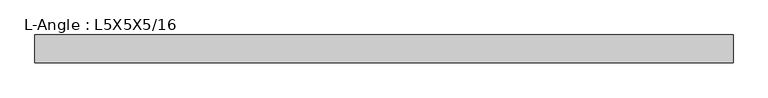
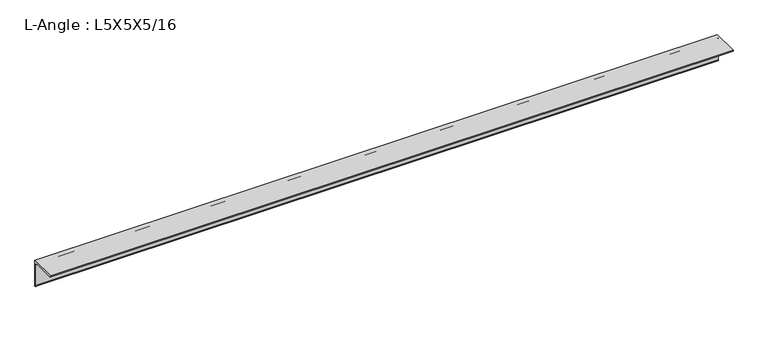
"""IFC4 building model written with IfcOpenShell, lengths in millimetres: beam geometry, L-Angle : L5X5X5/16."""

from ifc_helpers import new_model, si_unit, point, frame, frame_2d, origin, place, context, project, spatial, polyline, circle_curve, trimmed, segment, composite_curve, outline, extrude, source, transform, mapped, element, save


def l_angle_l5x5x5_16_a66de99f(model_context):
    return source(origin(), model_context, "Body", "SweptSolid", [
        extrude(outline(composite_curve([segment(polyline([(34.3296875, 34.3296875), (34.3296875, -92.6703125)]), True, "CONTINUOUS"), segment(trimmed(circle_curve(frame_2d((34.3296875, -84.7328125)), 7.9375), [point((34.3296875, -92.6703125))], [point((26.3921875, -84.7328125))], False, "CARTESIAN"), True, "CONTINUOUS"), segment(polyline([(26.3921875, -84.7328125), (26.3921875, 18.4546875)]), True, "CONTINUOUS"), segment(trimmed(circle_curve(frame_2d((18.4546875, 18.4546875)), 7.9375), [point((26.3921875, 18.4546875))], [point((18.4546875, 26.3921875))], True, "CARTESIAN"), True, "CONTINUOUS"), segment(polyline([(18.4546875, 26.3921875), (-84.7328125, 26.3921875)]), True, "CONTINUOUS"), segment(trimmed(circle_curve(frame_2d((-84.7328125, 34.3296875)), 7.9375), [point((-84.7328125, 26.3921875))], [point((-92.6703125, 34.3296875))], False, "CARTESIAN"), True, "CONTINUOUS"), segment(polyline([(-92.6703125, 34.3296875), (34.3296875, 34.3296875)]), True, "CONTINUOUS")], self_intersect=False)), frame((-1593.85, 0.0, 0.0), z_axis=(1.0, 0.0, 0.0), x_axis=(0.0, 1.0, 0.0)), (0.0, 0.0, 1.0), 3194.05),
    ])


if __name__ == "__main__":
    model = new_model("IFC4")
    model_context = context("Model", 3, world=origin())
    ifc_project = project(units=[si_unit("LENGTHUNIT", "METRE", prefix="MILLI")], contexts=[model_context])
    site = spatial("IfcSite", under=ifc_project)
    building = spatial("IfcBuilding", under=site)
    placement = place(None, origin())
    l_angle_l5x5x5_16_shape = l_angle_l5x5x5_16_a66de99f(model_context)
    element("IfcBeam", 1, ObjectType="L-Angle : L5X5X5/16", at=placement, inside=building, context=model_context, shape_type="MappedRepresentation", body=[
        mapped(l_angle_l5x5x5_16_shape, transform((0.0, 0.0, 0.0), x_axis=(1.0, 0.0, 0.0), y_axis=(0.0, 1.0, 0.0), z_axis=(0.0, 0.0, 1.0))),
    ])
    save(model, "model.ifc")
